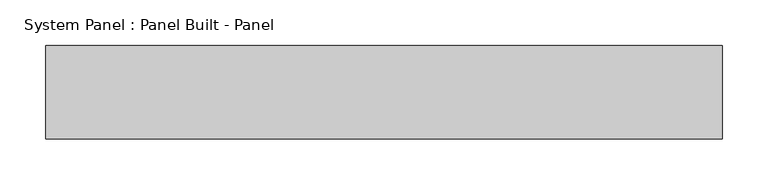
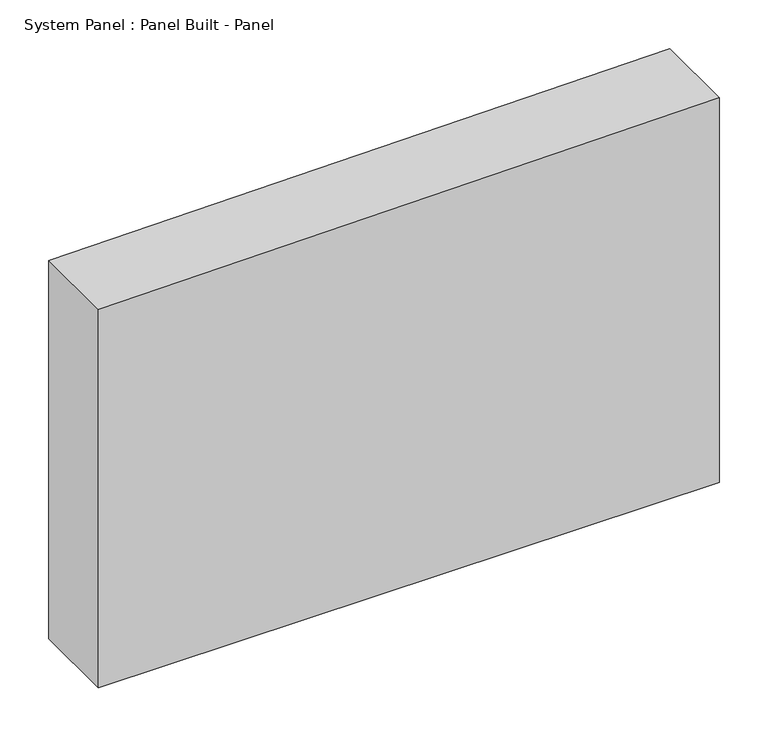
"""IFC4 building model written with IfcOpenShell, lengths in millimetres: plate geometry, System Panel : Panel Built - Panel."""

from ifc_helpers import new_model, si_unit, frame, origin, place, context, project, spatial, polyline, outline, extrude, source, transform, mapped, element, save


def system_panel_panel_built_panel_8c03e7cb(model_context):
    return source(origin(), model_context, "Body", "SweptSolid", [
        extrude(outline(polyline([(0.0, -368.3), (0.0, 368.3), (482.6, 368.3), (474.9270833, -368.3), (0.0, -368.3)])), frame((0.0, -50.8, 0.0), z_axis=(0.0, 1.0, 0.0), x_axis=(0.0, 0.0, 1.0)), (0.0, 0.0, 1.0), 101.6),
    ])


if __name__ == "__main__":
    model = new_model("IFC4")
    model_context = context("Model", 3, world=origin())
    ifc_project = project(units=[si_unit("LENGTHUNIT", "METRE", prefix="MILLI")], contexts=[model_context])
    site = spatial("IfcSite", under=ifc_project)
    building = spatial("IfcBuilding", under=site)
    placement = place(None, origin())
    system_panel_panel_built_panel_shape = system_panel_panel_built_panel_8c03e7cb(model_context)
    element("IfcPlate", 1, ObjectType="System Panel : Panel Built - Panel", at=placement, inside=building, context=model_context, shape_type="MappedRepresentation", body=[
        mapped(system_panel_panel_built_panel_shape, transform((0.0, 0.0, 0.0), x_axis=(1.0, 0.0, 0.0), y_axis=(0.0, 1.0, 0.0), z_axis=(0.0, 0.0, 1.0))),
    ])
    save(model, "model.ifc")
